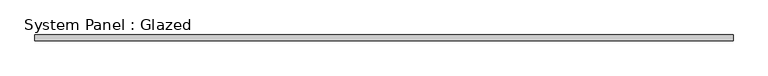
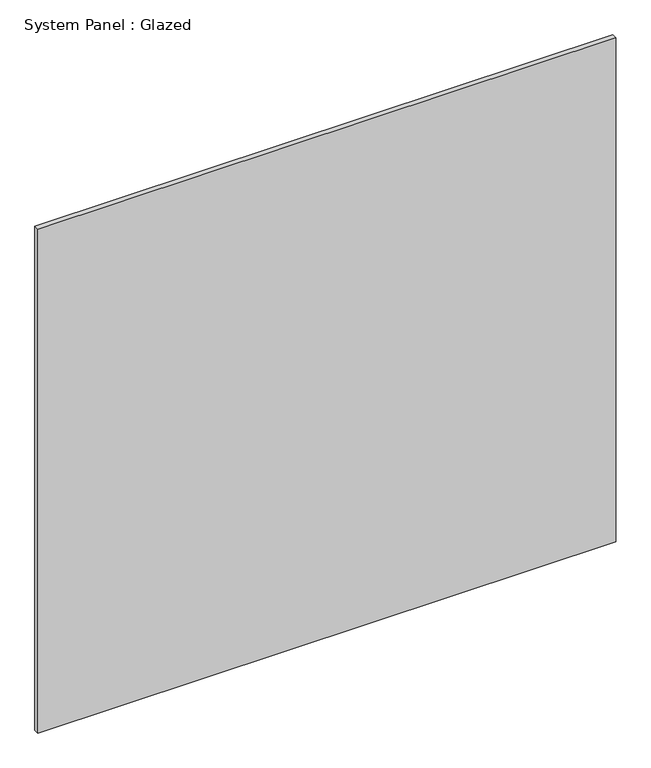
"""IFC4 building model written with IfcOpenShell, lengths in millimetres: plate geometry, System Panel : Glazed."""

from ifc_helpers import new_model, si_unit, origin, origin_with_axes, place, context, project, spatial, polyline, outline, extrude, source, transform, mapped, element, save


def system_panel_glazed_0214ed62(model_context):
    return source(origin(), model_context, "Body", "SweptSolid", [
        extrude(outline(polyline([(1464.8391892, 24.5), (-1464.8391892, 24.5), (-1464.8391892, 49.5), (1464.8391892, 49.5), (1464.8391892, 24.5)])), origin_with_axes(), (0.0, 0.0, 1.0), 2700.0),
    ])


if __name__ == "__main__":
    model = new_model("IFC4")
    model_context = context("Model", 3, world=origin())
    ifc_project = project(units=[si_unit("LENGTHUNIT", "METRE", prefix="MILLI")], contexts=[model_context])
    site = spatial("IfcSite", under=ifc_project)
    building = spatial("IfcBuilding", under=site)
    placement = place(None, origin())
    system_panel_glazed_shape = system_panel_glazed_0214ed62(model_context)
    element("IfcPlate", 1, ObjectType="System Panel : Glazed", at=placement, inside=building, context=model_context, shape_type="MappedRepresentation", body=[
        mapped(system_panel_glazed_shape, transform((0.0, 0.0, 0.0), x_axis=(1.0, 0.0, 0.0), y_axis=(0.0, 1.0, 0.0), z_axis=(0.0, 0.0, 1.0))),
    ])
    save(model, "model.ifc")
